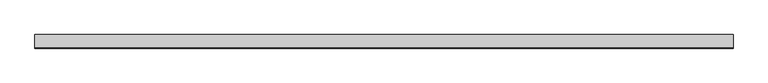
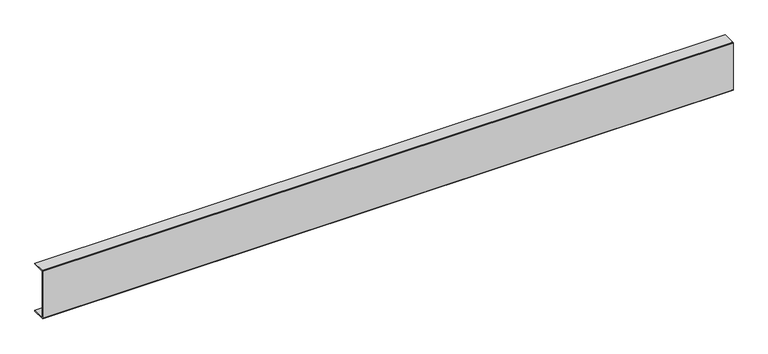
"""IFC4 building model written with IfcOpenShell, lengths in millimetres: proxy geometry."""

from ifc_helpers import new_model, si_unit, point, frame, frame_2d, origin, place, context, project, spatial, polyline, circle_curve, trimmed, segment, composite_curve, outline, extrude, source, transform, mapped, element, save


def generic_models_d922fca4(model_context):
    return source(origin(), model_context, "Body", "SweptSolid", [
        extrude(outline(composite_curve([segment(polyline([(2.0, 151.0), (40.0, 151.0), (40.0, 149.0), (2.0, 149.0), (2.0, 2.0), (40.0, 2.0), (40.0, 0.0), (2.0, 0.0)]), True, "CONTINUOUS"), segment(trimmed(circle_curve(frame_2d((2.0, 2.0)), 2.0), [point((2.0, 0.0))], [point((0.0, 2.0))], False, "CARTESIAN"), True, "CONTINUOUS"), segment(polyline([(0.0, 2.0), (0.0, 149.0)]), True, "CONTINUOUS"), segment(trimmed(circle_curve(frame_2d((2.0, 149.0)), 2.0), [point((0.0, 149.0))], [point((2.0, 151.0))], False, "CARTESIAN"), True, "CONTINUOUS")], self_intersect=False)), frame((0.0, 0.0, 0.0), z_axis=(1.0, 0.0, 0.0), x_axis=(0.0, 1.0, 0.0)), (0.0, 0.0, 1.0), 2053.4551227),
    ])


if __name__ == "__main__":
    model = new_model("IFC4")
    model_context = context("Model", 3, world=origin())
    ifc_project = project(units=[si_unit("LENGTHUNIT", "METRE", prefix="MILLI")], contexts=[model_context])
    site = spatial("IfcSite", under=ifc_project)
    building = spatial("IfcBuilding", under=site)
    placement = place(None, origin())
    generic_models_shape = generic_models_d922fca4(model_context)
    element("IfcBuildingElementProxy", 1, Name="Generic Models", at=placement, inside=building, context=model_context, shape_type="MappedRepresentation", body=[
        mapped(generic_models_shape, transform((0.0, 0.0, 0.0), x_axis=(1.0, 0.0, 0.0), y_axis=(0.0, 1.0, 0.0), z_axis=(0.0, 0.0, 1.0))),
    ])
    save(model, "model.ifc")
